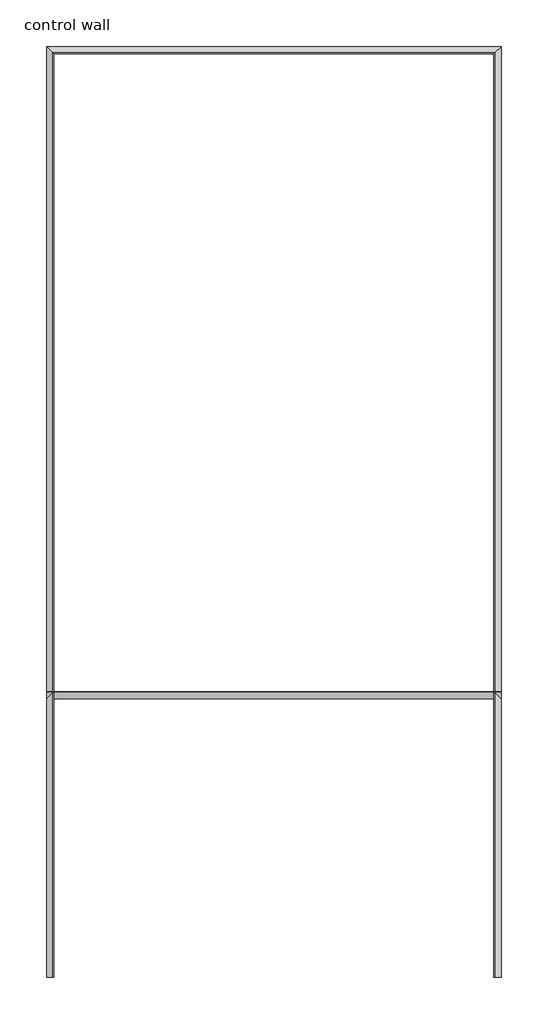
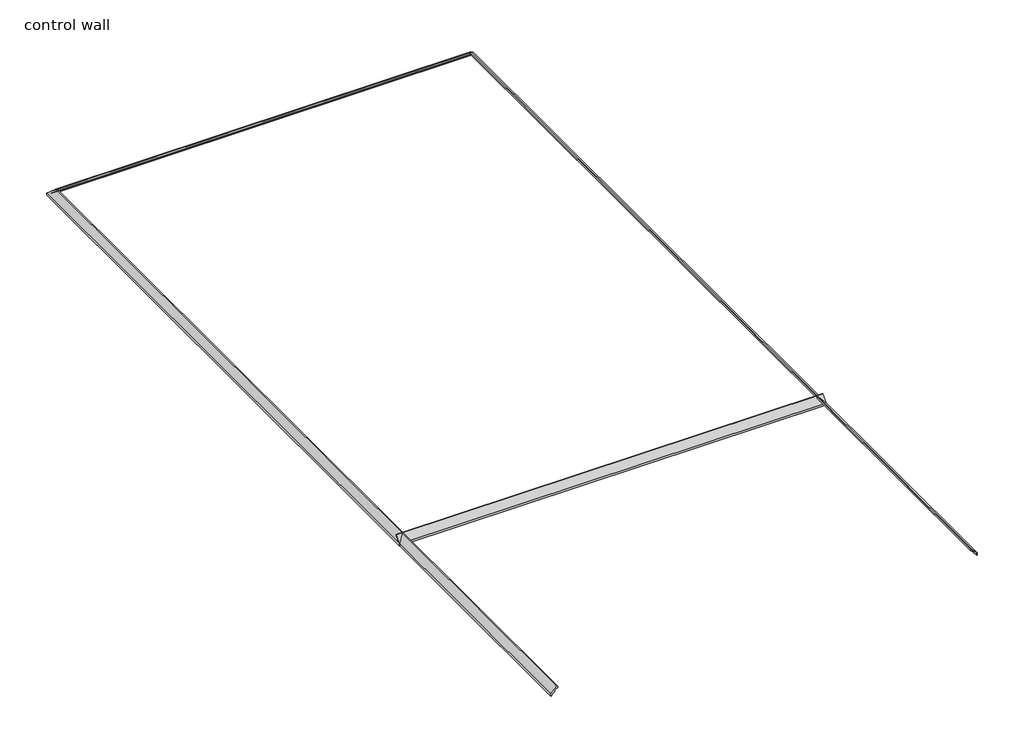
# One storey: 4 proxies.
"""IFC4 building model written with IfcOpenShell, lengths in millimetres."""

from ifc_helpers import new_model, si_unit, point, frame, frame_2d, origin, place, context, project, spatial, polyline, circle_curve, ellipse_curve, trimmed, segment, composite_curve, outline, extrude, element, save
from ifc_brep_helpers import plane_surface, cylinder_surface, revolved_surface, advanced_brep

model = new_model("IFC4")

# Units and contexts
model_context = context("Model", 3, world=origin())
ifc_project = project(units=[si_unit("LENGTHUNIT", "METRE", prefix="MILLI")], contexts=[model_context])

# Site, building, storey
site = spatial("IfcSite", under=ifc_project)
building = spatial("IfcBuilding", under=site)
storey = spatial("IfcBuildingStorey", under=building, Name="control wall", Elevation=2133.6)

# Proxies
placement = place(None, origin())
element("IfcBuildingElementProxy", 1, Name="Wall Sweeps", at=placement, inside=storey, context=model_context, shape_type="AdvancedBrep", body=[
    advanced_brep(
    [(18315.1984382, -8635.6502894, 2678.1793892), (18315.1984382, -8635.6502894, 2654.3), (18324.1786943, -8644.6305455, 2654.3), (18324.1786943, -8644.6305455, 2663.2802561), (18337.6490785, -8658.1009297, 2676.7506403), (18337.6490785, -8658.1009297, 2683.1006403), (18358.1737583, -8678.6256095, 2703.6253202), (18378.6984382, -8699.1502894, 2724.15), (18388.321747, -8708.7735982, 2724.15), (18388.321747, -8708.7735982, 2743.2), (18380.219049, -8700.6709002, 2743.2), (22988.7984382, -8635.6502894, 2678.1793892), (22923.7778274, -8700.6709002, 2743.2), (22915.6751294, -8708.7735982, 2743.2), (22915.6751294, -8708.7735982, 2724.15), (22925.2984382, -8699.1502894, 2724.15), (22945.823118, -8678.6256095, 2703.6253202), (22966.3477979, -8658.1009297, 2683.1006403), (22966.3477979, -8658.1009297, 2676.7506403), (22979.8181821, -8644.6305455, 2663.2802561), (22979.8181821, -8644.6305455, 2654.3), (22988.7984382, -8635.6502894, 2654.3)],
    [
        (0, 1),
        (1, 2),
        (2, 3),
        (3, 4, ellipse_curve(frame((18337.6490785, -8658.1009297, 2663.2802561), z_axis=(0.7071067811865476, 0.7071067811865476, 0.0), x_axis=(0.7071067811865474, -0.7071067811865476, 0.0)), 19.05, 13.4703842)),
        (4, 5),
        (5, 6, ellipse_curve(frame((18337.6490785, -8658.1009297, 2703.6253202), z_axis=(-0.7071067811865476, -0.7071067811865476, 0.0), x_axis=(-0.7071067811865474, 0.7071067811865476, 0.0)), 29.0262806, 20.5246798)),
        (6, 7, ellipse_curve(frame((18378.6984382, -8699.1502894, 2703.6253202), z_axis=(0.7071067811865476, 0.7071067811865476, 0.0), x_axis=(0.7071067811865474, -0.7071067811865476, 0.0)), 29.0262806, 20.5246798)),
        (7, 8),
        (8, 9),
        (9, 10),
        (10, 0),
        (11, 12),
        (12, 13),
        (13, 14),
        (14, 15),
        (15, 16, ellipse_curve(frame((22925.2984382, -8699.1502894, 2703.6253202), z_axis=(-0.707106781186544, 0.7071067811865511, 0.0), x_axis=(0.7071067811865509, 0.7071067811865441, 0.0)), 29.0262806, 20.5246798)),
        (16, 17, ellipse_curve(frame((22966.3477979, -8658.1009297, 2703.6253202), z_axis=(0.707106781186544, -0.7071067811865511, 0.0), x_axis=(-0.7071067811865509, -0.7071067811865441, 0.0)), 29.0262806, 20.5246798)),
        (17, 18),
        (18, 19, ellipse_curve(frame((22966.3477979, -8658.1009297, 2663.2802561), z_axis=(-0.707106781186544, 0.7071067811865511, 0.0), x_axis=(0.7071067811865509, 0.7071067811865441, 0.0)), 19.05, 13.4703842)),
        (19, 20),
        (20, 21),
        (21, 11),
        (0, 11),
        (21, 1),
        (20, 2),
        (19, 3),
        (18, 4),
        (17, 5),
        (16, 6),
        (15, 7),
        (14, 8),
        (13, 9),
        (12, 10),
    ],
    [
        plane_surface(frame((18315.1984382, -8635.6502894, 2959.1), z_axis=(-0.7071067811865476, -0.7071067811865476, 0.0), x_axis=(0.7071067811865476, -0.7071067811865476, 0.0))),
        plane_surface(frame((22988.7984382, -8635.6502894, 2959.1), z_axis=(0.707106781186544, -0.7071067811865511, 0.0), x_axis=(-0.7071067811865511, -0.707106781186544, 0.0))),
        plane_surface(frame((18315.1984382, -8635.6502894, 2678.1793892), z_axis=(0.0, 1.0, 0.0), x_axis=(1.0, 0.0, 0.0))),
        plane_surface(frame((18315.1984382, -8635.6502894, 2654.3), z_axis=(0.0, 0.0, -1.0), x_axis=(1.0, 0.0, 0.0))),
        plane_surface(frame((18324.1786943, -8644.6305455, 2654.3), z_axis=(0.0, -1.0, 0.0), x_axis=(1.0, 0.0, 0.0))),
        revolved_surface(polyline([(22979.8181821, -8671.5713139, 2663.2802561), (18324.1786943, -8671.5713139, 2663.2802561)]), (18315.1984382, -8658.1009297, 2663.2802561), (1.0, 0.0, 0.0)),
        plane_surface(frame((18337.6490785, -8658.1009297, 2676.7506403), z_axis=(0.0, -1.0, 0.0), x_axis=(1.0, 0.0, 0.0))),
        cylinder_surface(frame((18315.1984382, -8658.1009297, 2703.6253202), z_axis=(-1.0, 0.0, 0.0), x_axis=(0.0, -1.0, 0.0)), 20.5246798),
        revolved_surface(polyline([(22945.823118044882, -8719.674969200001, 2703.6253202), (18358.1737583, -8719.674969200001, 2703.6253202)]), (18315.1984382, -8699.1502894, 2703.6253202), (1.0, 0.0, 0.0)),
        plane_surface(frame((18378.6984382, -8699.1502894, 2724.15), z_axis=(0.0, 0.0, -1.0), x_axis=(1.0, 0.0, 0.0))),
        plane_surface(frame((18388.321747, -8708.7735982, 2724.15), z_axis=(0.0, -1.0, 0.0), x_axis=(1.0, 0.0, 0.0))),
        plane_surface(frame((18388.321747, -8708.7735982, 2743.2), z_axis=(0.0, 0.0, 1.0), x_axis=(1.0, 0.0, 0.0))),
        plane_surface(frame((18380.219049, -8700.6709002, 2743.2), z_axis=(0.0, 0.707106781186547, 0.707106781186548), x_axis=(1.0, 0.0, 0.0))),
    ],
    [
        (0, [[1, 2, 3, 4, 5, 6, 7, 8, 9, 10, 11]]),
        (1, [[12, 13, 14, 15, 16, 17, 18, 19, 20, 21, 22]]),
        (2, [[-1, 23, -22, 24]]),
        (3, [[-2, -24, -21, 25]]),
        (4, [[-3, -25, -20, 26]]),
        (5, [[-4, -26, -19, 27]]),
        (6, [[-5, -27, -18, 28]]),
        (7, [[-6, -28, -17, 29]]),
        (8, [[-7, -29, -16, 30]]),
        (9, [[-8, -30, -15, 31]]),
        (10, [[-9, -31, -14, 32]]),
        (11, [[-10, -32, -13, 33]]),
        (12, [[-11, -33, -12, -23]]),
    ],
),
])
element("IfcBuildingElementProxy", 2, Name="Wall Sweeps", at=placement, inside=storey, context=model_context, shape_type="AdvancedBrep", body=[
    advanced_brep(
    [(18315.1984382, -18208.2752894, 2678.1793892), (18315.1984382, -18208.2752894, 2654.3), (18324.1786943, -18208.2752894, 2654.3), (18324.1786943, -18208.2752894, 2663.2802561), (18337.6490785, -18208.2752894, 2676.7506403), (18337.6490785, -18208.2752894, 2683.1006403), (18358.1737583, -18208.2752894, 2703.6253202), (18378.6984382, -18208.2752894, 2724.15), (18388.321747, -18208.2752894, 2724.15), (18388.321747, -18208.2752894, 2743.2), (18380.219049, -18208.2752894, 2743.2), (18315.1984382, -8635.6502894, 2678.1793892), (18380.219049, -8700.6709002, 2743.2), (18388.321747, -8708.7735982, 2743.2), (18388.321747, -8708.7735982, 2724.15), (18378.6984382, -8699.1502894, 2724.15), (18358.1737583, -8678.6256095, 2703.6253202), (18337.6490785, -8658.1009297, 2683.1006403), (18337.6490785, -8658.1009297, 2676.7506403), (18324.1786943, -8644.6305455, 2663.2802561), (18324.1786943, -8644.6305455, 2654.3), (18315.1984382, -8635.6502894, 2654.3)],
    [
        (0, 1),
        (1, 2),
        (2, 3),
        (3, 4, circle_curve(frame((18337.6490785, -18208.2752894, 2663.2802561), z_axis=(0.0, 1.0, 0.0), x_axis=(1.0, 0.0, 0.0)), 13.4703842)),
        (4, 5),
        (5, 6, circle_curve(frame((18337.6490785, -18208.2752894, 2703.6253202), z_axis=(0.0, -1.0, 0.0), x_axis=(1.0, 0.0, 0.0)), 20.5246798)),
        (6, 7, circle_curve(frame((18378.6984382, -18208.2752894, 2703.6253202), z_axis=(0.0, 1.0, 0.0), x_axis=(1.0, 0.0, 0.0)), 20.5246798)),
        (7, 8),
        (8, 9),
        (9, 10),
        (10, 0),
        (11, 12),
        (12, 13),
        (13, 14),
        (14, 15),
        (15, 16, ellipse_curve(frame((18378.6984382, -8699.1502894, 2703.6253202), z_axis=(-0.7071067811865476, -0.7071067811865476, 0.0), x_axis=(-0.7071067811865476, 0.7071067811865474, 0.0)), 29.0262806, 20.5246798)),
        (16, 17, ellipse_curve(frame((18337.6490785, -8658.1009297, 2703.6253202), z_axis=(0.7071067811865476, 0.7071067811865476, 0.0), x_axis=(0.7071067811865476, -0.7071067811865474, 0.0)), 29.0262806, 20.5246798)),
        (17, 18),
        (18, 19, ellipse_curve(frame((18337.6490785, -8658.1009297, 2663.2802561), z_axis=(-0.7071067811865476, -0.7071067811865476, 0.0), x_axis=(-0.7071067811865476, 0.7071067811865474, 0.0)), 19.05, 13.4703842)),
        (19, 20),
        (20, 21),
        (21, 11),
        (0, 11),
        (21, 1),
        (20, 2),
        (19, 3),
        (18, 4),
        (17, 5),
        (16, 6),
        (15, 7),
        (14, 8),
        (13, 9),
        (12, 10),
    ],
    [
        plane_surface(frame((18200.0888022, -18208.2752894, 2654.3), z_axis=(0.0, -1.0, 0.0), x_axis=(0.0, 0.0, 1.0))),
        plane_surface(frame((18315.1984382, -8635.6502894, 2959.1), z_axis=(0.7071067811865476, 0.7071067811865476, 0.0), x_axis=(0.7071067811865476, -0.7071067811865476, 0.0))),
        plane_surface(frame((18315.1984382, -18208.2752894, 2678.1793892), z_axis=(-1.0, 0.0, 0.0), x_axis=(0.0, 1.0, 0.0))),
        plane_surface(frame((18315.1984382, -18208.2752894, 2654.3), z_axis=(0.0, 0.0, -1.0), x_axis=(0.0, 1.0, 0.0))),
        plane_surface(frame((18324.1786943, -18208.2752894, 2654.3), z_axis=(1.0, 0.0, 0.0), x_axis=(0.0, 1.0, 0.0))),
        revolved_surface(polyline([(18351.1194627, -8644.6305455, 2663.2802561), (18351.1194627, -18208.2752894, 2663.2802561)]), (18337.6490785, -18208.2752894, 2663.2802561), (0.0, 1.0, 0.0)),
        plane_surface(frame((18337.6490785, -18208.2752894, 2676.7506403), z_axis=(1.0, 0.0, 0.0), x_axis=(0.0, 1.0, 0.0))),
        cylinder_surface(frame((18337.6490785, -18208.2752894, 2703.6253202), z_axis=(0.0, -1.0, 0.0), x_axis=(1.0, 0.0, 0.0)), 20.5246798),
        revolved_surface(polyline([(18399.223118, -8678.6256095, 2703.6253202), (18399.223118, -18208.2752894, 2703.6253202)]), (18378.6984382, -18208.2752894, 2703.6253202), (0.0, 1.0, 0.0)),
        plane_surface(frame((18378.6984382, -18208.2752894, 2724.15), z_axis=(0.0, 0.0, -1.0), x_axis=(0.0, 1.0, 0.0))),
        plane_surface(frame((18388.321747, -18208.2752894, 2724.15), z_axis=(1.0, 0.0, 0.0), x_axis=(0.0, 1.0, 0.0))),
        plane_surface(frame((18388.321747, -18208.2752894, 2743.2), z_axis=(0.0, 0.0, 1.0), x_axis=(0.0, 1.0, 0.0))),
        plane_surface(frame((18380.219049, -18208.2752894, 2743.2), z_axis=(-0.707106781186547, 0.0, 0.707106781186548), x_axis=(0.0, 1.0, 0.0))),
    ],
    [
        (0, [[1, 2, 3, 4, 5, 6, 7, 8, 9, 10, 11]]),
        (1, [[12, 13, 14, 15, 16, 17, 18, 19, 20, 21, 22]]),
        (2, [[-1, 23, -22, 24]]),
        (3, [[-2, -24, -21, 25]]),
        (4, [[-3, -25, -20, 26]]),
        (5, [[-4, -26, -19, 27]]),
        (6, [[-5, -27, -18, 28]]),
        (7, [[-6, -28, -17, 29]]),
        (8, [[-7, -29, -16, 30]]),
        (9, [[-8, -30, -15, 31]]),
        (10, [[-9, -31, -14, 32]]),
        (11, [[-10, -32, -13, 33]]),
        (12, [[-11, -33, -12, -23]]),
    ],
),
])
element("IfcBuildingElementProxy", 3, Name="Wall Sweeps", at=placement, inside=storey, context=model_context, shape_type="AdvancedBrep", body=[
    advanced_brep(
    [(22988.7984382, -8635.6502894, 2678.1793892), (22988.7984382, -8635.6502894, 2654.3), (22979.8181821, -8644.6305455, 2654.3), (22979.8181821, -8644.6305455, 2663.2802561), (22966.3477979, -8658.1009297, 2676.7506403), (22966.3477979, -8658.1009297, 2683.1006403), (22945.823118, -8678.6256095, 2703.6253202), (22925.2984382, -8699.1502894, 2724.15), (22915.6751294, -8708.7735982, 2724.15), (22915.6751294, -8708.7735982, 2743.2), (22923.7778274, -8700.6709002, 2743.2), (22988.7984382, -18208.2752894, 2678.1793892), (22923.7778274, -18208.2752894, 2743.2), (22915.6751294, -18208.2752894, 2743.2), (22915.6751294, -18208.2752894, 2724.15), (22925.2984382, -18208.2752894, 2724.15), (22945.823118, -18208.2752894, 2703.6253202), (22966.3477979, -18208.2752894, 2683.1006403), (22966.3477979, -18208.2752894, 2676.7506403), (22979.8181821, -18208.2752894, 2663.2802561), (22979.8181821, -18208.2752894, 2654.3), (22988.7984382, -18208.2752894, 2654.3)],
    [
        (0, 1),
        (1, 2),
        (2, 3),
        (3, 4, ellipse_curve(frame((22966.3477979, -8658.1009297, 2663.2802561), z_axis=(0.707106781186544, -0.7071067811865511, 0.0), x_axis=(-0.7071067811865511, -0.7071067811865438, 0.0)), 19.05, 13.4703842)),
        (4, 5),
        (5, 6, ellipse_curve(frame((22966.3477979, -8658.1009297, 2703.6253202), z_axis=(-0.707106781186544, 0.7071067811865511, 0.0), x_axis=(0.7071067811865511, 0.7071067811865438, 0.0)), 29.0262806, 20.5246798)),
        (6, 7, ellipse_curve(frame((22925.2984382, -8699.1502894, 2703.6253202), z_axis=(0.707106781186544, -0.7071067811865511, 0.0), x_axis=(-0.7071067811865511, -0.7071067811865438, 0.0)), 29.0262806, 20.5246798)),
        (7, 8),
        (8, 9),
        (9, 10),
        (10, 0),
        (11, 12),
        (12, 13),
        (13, 14),
        (14, 15),
        (15, 16, circle_curve(frame((22925.2984382, -18208.2752894, 2703.6253202), z_axis=(0.0, 1.0, 0.0), x_axis=(-1.0, 0.0, 0.0)), 20.5246798)),
        (16, 17, circle_curve(frame((22966.3477979, -18208.2752894, 2703.6253202), z_axis=(0.0, -1.0, 0.0), x_axis=(-1.0, 0.0, 0.0)), 20.5246798)),
        (17, 18),
        (18, 19, circle_curve(frame((22966.3477979, -18208.2752894, 2663.2802561), z_axis=(0.0, 1.0, 0.0), x_axis=(-1.0, 0.0, 0.0)), 13.4703842)),
        (19, 20),
        (20, 21),
        (21, 11),
        (0, 11),
        (21, 1),
        (20, 2),
        (19, 3),
        (18, 4),
        (17, 5),
        (16, 6),
        (15, 7),
        (14, 8),
        (13, 9),
        (12, 10),
    ],
    [
        plane_surface(frame((22988.7984382, -8635.6502894, 2959.1), z_axis=(-0.707106781186544, 0.7071067811865511, 0.0), x_axis=(-0.7071067811865511, -0.707106781186544, 0.0))),
        plane_surface(frame((22873.6888022, -18208.2752894, 2654.3), z_axis=(0.0, -1.0, 0.0), x_axis=(0.0, 0.0, -1.0))),
        plane_surface(frame((22988.7984382, -8635.6502894, 2678.1793892), z_axis=(1.0, 0.0, 0.0), x_axis=(0.0, -1.0, 0.0))),
        plane_surface(frame((22988.7984382, -8635.6502894, 2654.3), z_axis=(0.0, 0.0, -1.0), x_axis=(0.0, -1.0, 0.0))),
        plane_surface(frame((22979.8181821, -8644.6305455, 2654.3), z_axis=(-1.0, 0.0, 0.0), x_axis=(0.0, -1.0, 0.0))),
        revolved_surface(polyline([(22952.8774137, -18208.2752894, 2663.2802561), (22952.8774137, -8644.6305455, 2663.2802561)]), (22966.3477979, -8635.6502894, 2663.2802561), (0.0, -1.0, 0.0)),
        plane_surface(frame((22966.3477979, -8658.1009297, 2676.7506403), z_axis=(-1.0, 0.0, 0.0), x_axis=(0.0, -1.0, 0.0))),
        cylinder_surface(frame((22966.3477979, -8635.6502894, 2703.6253202), z_axis=(0.0, 1.0, 0.0), x_axis=(-1.0, 0.0, 0.0)), 20.5246798),
        revolved_surface(polyline([(22904.7737584, -18208.2752894, 2703.6253202), (22904.7737584, -8678.6256095, 2703.6253202)]), (22925.2984382, -8635.6502894, 2703.6253202), (0.0, -1.0, 0.0)),
        plane_surface(frame((22925.2984382, -8699.1502894, 2724.15), z_axis=(0.0, 0.0, -1.0), x_axis=(0.0, -1.0, 0.0))),
        plane_surface(frame((22915.6751294, -8708.7735982, 2724.15), z_axis=(-1.0, 0.0, 0.0), x_axis=(0.0, -1.0, 0.0))),
        plane_surface(frame((22915.6751294, -8708.7735982, 2743.2), z_axis=(0.0, 0.0, 1.0), x_axis=(0.0, -1.0, 0.0))),
        plane_surface(frame((22923.7778274, -8700.6709002, 2743.2), z_axis=(0.707106781186547, 0.0, 0.707106781186548), x_axis=(0.0, -1.0, 0.0))),
    ],
    [
        (0, [[1, 2, 3, 4, 5, 6, 7, 8, 9, 10, 11]]),
        (1, [[12, 13, 14, 15, 16, 17, 18, 19, 20, 21, 22]]),
        (2, [[-1, 23, -22, 24]]),
        (3, [[-2, -24, -21, 25]]),
        (4, [[-3, -25, -20, 26]]),
        (5, [[-4, -26, -19, 27]]),
        (6, [[-5, -27, -18, 28]]),
        (7, [[-6, -28, -17, 29]]),
        (8, [[-7, -29, -16, 30]]),
        (9, [[-8, -30, -15, 31]]),
        (10, [[-9, -31, -14, 32]]),
        (11, [[-10, -32, -13, 33]]),
        (12, [[-11, -33, -12, -23]]),
    ],
),
])
element("IfcBuildingElementProxy", 4, Name="Wall Sweeps", at=placement, inside=storey, context=model_context, shape_type="SweptSolid", body=[
    extrude(outline(composite_curve([segment(polyline([(-15341.2502894, 2678.1793892), (-15276.2296786, 2743.2), (-15268.1269806, 2743.2), (-15268.1269806, 2724.15), (-15277.7502894, 2724.15)]), True, "CONTINUOUS"), segment(trimmed(circle_curve(frame_2d((-15277.7502894, 2703.6253202)), 20.5246798), [point((-15277.7502894, 2724.15))], [point((-15298.2749692, 2703.6253202))], True, "CARTESIAN"), True, "CONTINUOUS"), segment(trimmed(circle_curve(frame_2d((-15318.7996491, 2703.6253202)), 20.5246798), [point((-15298.2749692, 2703.6253202))], [point((-15318.7996491, 2683.1006403))], False, "CARTESIAN"), True, "CONTINUOUS"), segment(polyline([(-15318.7996491, 2683.1006403), (-15318.7996491, 2676.7506403)]), True, "CONTINUOUS"), segment(trimmed(circle_curve(frame_2d((-15318.7996491, 2663.2802561)), 13.4703842), [point((-15318.7996491, 2676.7506403))], [point((-15332.2700333, 2663.2802561))], True, "CARTESIAN"), True, "CONTINUOUS"), segment(polyline([(-15332.2700333, 2663.2802561), (-15332.2700333, 2654.3), (-15341.2502894, 2654.3), (-15341.2502894, 2678.1793892)]), True, "CONTINUOUS")], self_intersect=False)), frame((18315.1984382, 0.0, 0.0), z_axis=(1.0, 0.0, 0.0), x_axis=(0.0, 1.0, 0.0)), (0.0, 0.0, 1.0), 4673.6),
])

save(model, "model.ifc")
